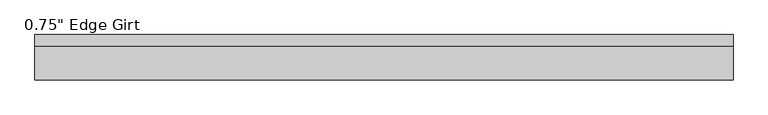
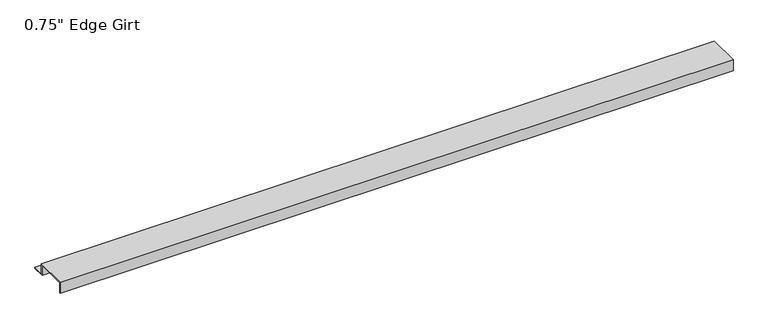
"""IFC4 building model written with IfcOpenShell, lengths in millimetres: proxy geometry."""

from ifc_helpers import new_model, si_unit, frame, origin, place, context, project, spatial, polyline, outline, extrude, source, transform, mapped, element, save


def proxy_b33bd4f4(model_context):
    return source(origin(), model_context, "Body", "SweptSolid", [
        extrude(outline(polyline([(46.0559645, -17.4375), (25.4, -17.4375), (25.4, 0.0), (-25.4, 0.0), (-25.4, -17.4375), (-27.0129, -17.4375), (-27.0129, 1.6129), (27.0129, 1.6129), (27.0129, -15.8242), (46.0559645, -15.8242), (46.0559645, -17.4375)])), frame((0.0, 0.0, 0.0), z_axis=(1.0, 0.0, 0.0), x_axis=(0.0, 1.0, 0.0)), (0.0, 0.0, 1.0), 1127.2060577),
    ])


if __name__ == "__main__":
    model = new_model("IFC4")
    model_context = context("Model", 3, world=origin())
    ifc_project = project(units=[si_unit("LENGTHUNIT", "METRE", prefix="MILLI")], contexts=[model_context])
    site = spatial("IfcSite", under=ifc_project)
    building = spatial("IfcBuilding", under=site)
    placement = place(None, origin())
    proxy_shape = proxy_b33bd4f4(model_context)
    element("IfcBuildingElementProxy", 1, Name="0.75\" Edge Girt", ObjectType="0.75\" Edge Girt", at=placement, inside=building, context=model_context, shape_type="MappedRepresentation", body=[
        mapped(proxy_shape, transform((0.0, 0.0, 0.0), x_axis=(1.0, 0.0, 0.0), y_axis=(0.0, 1.0, 0.0), z_axis=(0.0, 0.0, 1.0))),
    ])
    save(model, "model.ifc")
